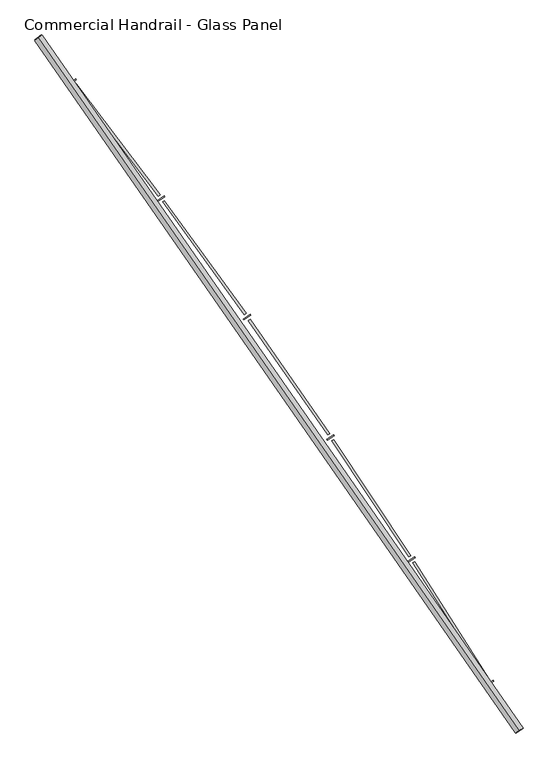
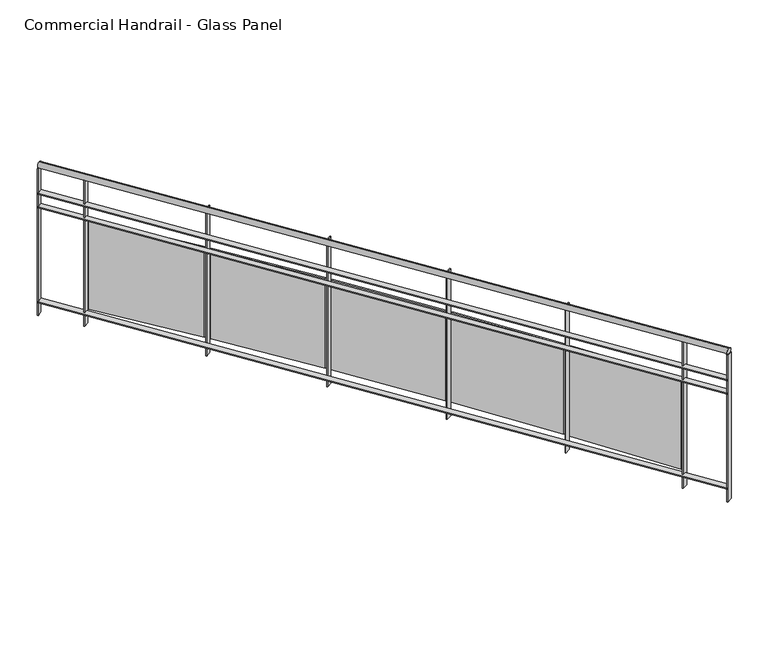
"""IFC4 building model written with IfcOpenShell, lengths in millimetres: railing geometry, Commercial Handrail - Glass Panel."""

from ifc_helpers import new_model, si_unit, point, frame, origin, place, context, project, spatial, polyline, circle_curve, ellipse_curve, trimmed, outline, extrude, source, transform, mapped, element, save
from ifc_brep_helpers import plane_surface, cylinder_surface, revolved_surface, advanced_brep


def commercial_handrail_glass_panel_e9024bec(model_context):
    return source(origin(), model_context, "Body", "SolidModel", [
        advanced_brep(
        [(174947.1226561, -30258.7265853, 9482.5), (172321.2493354, -26475.2644148, 9482.5), (172321.2493354, -26475.2644148, 9517.5), (174947.1226561, -30258.7265853, 9517.5)],
        [
            (0, 1, circle_curve(frame((141591.4318743, -50605.9420988, 9482.5), z_axis=(0.0, 0.0, 1.0), x_axis=(0.7864946016239663, 0.6175971515610791, 0.0)), 39071.873345)),
            (1, 2, ellipse_curve(frame((172321.2493354, -26475.2644148, 9500.0), z_axis=(0.6175971515610744, -0.78649460162397, 0.0), x_axis=(-0.78649460162397, -0.6175971515610744, 0.0)), 25.0, 17.5)),
            (2, 3, circle_curve(frame((141591.4318743, -50605.9420988, 9517.5), z_axis=(0.0, 0.0, -1.0), x_axis=(0.7864946016239663, 0.6175971515610791, 0.0)), 39071.873345)),
            (3, 0, ellipse_curve(frame((174947.1226561, -30258.7265853, 9500.0), z_axis=(-0.5207637559080609, 0.8537008319853798, 0.0), x_axis=(-0.8537008319853798, -0.5207637559080609, 0.0)), 25.0, 17.5)),
            (2, 1, ellipse_curve(frame((172321.2493354, -26475.2644148, 9500.0), z_axis=(0.6175971515610744, -0.78649460162397, 0.0), x_axis=(-0.78649460162397, -0.6175971515610744, 0.0)), 25.0, 17.5)),
            (0, 3, ellipse_curve(frame((174947.1226561, -30258.7265853, 9500.0), z_axis=(-0.5207637559080609, 0.8537008319853798, 0.0), x_axis=(-0.8537008319853798, -0.5207637559080609, 0.0)), 25.0, 17.5)),
        ],
        [
            revolved_surface(trimmed(ellipse_curve(frame((172321.2493354, -26475.2644148, 9500.0), z_axis=(-0.6175971515610791, 0.7864946016239663, 0.0), x_axis=(0.0, 0.0, -1.0)), 17.5, 25.0), [point((172321.2493354, -26475.2644148, 9517.5))], [point((172321.2493354, -26475.2644148, 9482.5))], True, "CARTESIAN"), (141591.4318743, -50605.9420988, 9500.0), (0.0, 0.0, -1.0)),
            revolved_surface(trimmed(ellipse_curve(frame((172321.2493354, -26475.2644148, 9500.0), z_axis=(-0.6175971515610791, 0.7864946016239663, 0.0), x_axis=(0.0, 0.0, -1.0)), 17.5, 25.0), [point((172321.2493354, -26475.2644148, 9482.5))], [point((172321.2493354, -26475.2644148, 9517.5))], True, "CARTESIAN"), (141591.4318743, -50605.9420988, 9500.0), (0.0, 0.0, -1.0)),
            plane_surface(frame((172321.2493354, -26475.2644148, 9500.0), z_axis=(-0.6175971515610791, 0.7864946016239663, 0.0), x_axis=(0.7864946016239663, 0.6175971515610791, 0.0))),
            plane_surface(frame((174947.1226561, -30258.7265853, 9500.0), z_axis=(0.5207637559080605, -0.85370083198538, 0.0), x_axis=(0.85370083198538, 0.5207637559080605, 0.0))),
        ],
        [
            (0, [[1, 2, 3, 4]]),
            (1, [[-3, 5, -1, 6]]),
            (2, [[-2, -5]]),
            (3, [[-6, -4]]),
        ],
    ),
        advanced_brep(
        [(174966.3309248, -30247.0094008, 9300.0), (172338.945464, -26461.3684789, 9300.0), (172303.5532069, -26489.1603507, 9300.0), (174927.9143874, -30270.4437698, 9300.0), (174966.3309248, -30247.0094008, 9294.0), (172338.945464, -26461.3684789, 9294.0), (174927.9143874, -30270.4437698, 9294.0), (172303.5532069, -26489.1603507, 9294.0)],
        [
            (0, 1, circle_curve(frame((141591.4318743, -50605.9420988, 9300.0), z_axis=(0.0, 0.0, 1.0), x_axis=(0.7864946016239663, 0.6175971515610791, 0.0)), 39094.373345)),
            (1, 2),
            (2, 3, circle_curve(frame((141591.4318743, -50605.9420988, 9300.0), z_axis=(0.0, 0.0, -1.0), x_axis=(0.7864946016239663, 0.6175971515610791, 0.0)), 39049.373345)),
            (3, 0),
            (4, 5, circle_curve(frame((141591.4318743, -50605.9420988, 9294.0), z_axis=(0.0, 0.0, 1.0), x_axis=(0.7864946016239663, 0.6175971515610791, 0.0)), 39094.373345)),
            (5, 1),
            (0, 4),
            (6, 7, circle_curve(frame((141591.4318743, -50605.9420988, 9294.0), z_axis=(0.0, 0.0, 1.0), x_axis=(0.7864946016239663, 0.6175971515610791, 0.0)), 39049.373345)),
            (7, 5),
            (4, 6),
            (2, 7),
            (6, 3),
        ],
        [
            plane_surface(frame((141591.4318743, -50605.9420988, 9300.0), z_axis=(0.0, 0.0, 1.0), x_axis=(0.7864946016239663, 0.6175971515610791, 0.0))),
            cylinder_surface(frame((141591.4318743, -50605.9420988, 9300.0), z_axis=(0.0, 0.0, -1.0), x_axis=(0.7864946016239663, 0.6175971515610791, 0.0)), 39094.373345),
            plane_surface(frame((141591.4318743, -50605.9420988, 9294.0), z_axis=(0.0, 0.0, -1.0), x_axis=(0.7864946016239663, 0.6175971515610791, 0.0))),
            revolved_surface(polyline([(172303.55320694132, -26489.160350682872, 9294.0), (172303.55320694132, -26489.160350682872, 9300.0)]), (141591.4318743, -50605.9420988, 9300.0), (0.0, 0.0, -1.0)),
            plane_surface(frame((172321.2493354, -26475.2644148, 9300.0), z_axis=(-0.6175971515610791, 0.7864946016239663, 0.0), x_axis=(0.7864946016239663, 0.6175971515610791, 0.0))),
            plane_surface(frame((174947.1226561, -30258.7265853, 9300.0), z_axis=(0.5207637559080605, -0.85370083198538, 0.0), x_axis=(0.85370083198538, 0.5207637559080605, 0.0))),
        ],
        [
            (0, [[1, 2, 3, 4]]),
            (1, [[5, 6, -1, 7]]),
            (2, [[8, 9, -5, 10]]),
            (3, [[-3, 11, -8, 12]]),
            (4, [[-2, -6, -9, -11]]),
            (5, [[-12, -10, -7, -4]]),
        ],
    ),
        advanced_brep(
        [(174966.3309248, -30247.0094008, 9200.0), (172338.945464, -26461.3684789, 9200.0), (172303.5532069, -26489.1603507, 9200.0), (174927.9143874, -30270.4437698, 9200.0), (174966.3309248, -30247.0094008, 9194.0), (172338.945464, -26461.3684789, 9194.0), (174927.9143874, -30270.4437698, 9194.0), (172303.5532069, -26489.1603507, 9194.0)],
        [
            (0, 1, circle_curve(frame((141591.4318743, -50605.9420988, 9200.0), z_axis=(0.0, 0.0, 1.0), x_axis=(0.7864946016239663, 0.6175971515610791, 0.0)), 39094.373345)),
            (1, 2),
            (2, 3, circle_curve(frame((141591.4318743, -50605.9420988, 9200.0), z_axis=(0.0, 0.0, -1.0), x_axis=(0.7864946016239663, 0.6175971515610791, 0.0)), 39049.373345)),
            (3, 0),
            (4, 5, circle_curve(frame((141591.4318743, -50605.9420988, 9194.0), z_axis=(0.0, 0.0, 1.0), x_axis=(0.7864946016239663, 0.6175971515610791, 0.0)), 39094.373345)),
            (5, 1),
            (0, 4),
            (6, 7, circle_curve(frame((141591.4318743, -50605.9420988, 9194.0), z_axis=(0.0, 0.0, 1.0), x_axis=(0.7864946016239663, 0.6175971515610791, 0.0)), 39049.373345)),
            (7, 5),
            (4, 6),
            (2, 7),
            (6, 3),
        ],
        [
            plane_surface(frame((141591.4318743, -50605.9420988, 9200.0), z_axis=(0.0, 0.0, 1.0), x_axis=(0.7864946016239663, 0.6175971515610791, 0.0))),
            cylinder_surface(frame((141591.4318743, -50605.9420988, 9200.0), z_axis=(0.0, 0.0, -1.0), x_axis=(0.7864946016239663, 0.6175971515610791, 0.0)), 39094.373345),
            plane_surface(frame((141591.4318743, -50605.9420988, 9194.0), z_axis=(0.0, 0.0, -1.0), x_axis=(0.7864946016239663, 0.6175971515610791, 0.0))),
            revolved_surface(polyline([(172303.55320694132, -26489.160350682872, 9194.0), (172303.55320694132, -26489.160350682872, 9200.0)]), (141591.4318743, -50605.9420988, 9200.0), (0.0, 0.0, -1.0)),
            plane_surface(frame((172321.2493354, -26475.2644148, 9200.0), z_axis=(-0.6175971515610791, 0.7864946016239663, 0.0), x_axis=(0.7864946016239663, 0.6175971515610791, 0.0))),
            plane_surface(frame((174947.1226561, -30258.7265853, 9200.0), z_axis=(0.5207637559080605, -0.85370083198538, 0.0), x_axis=(0.85370083198538, 0.5207637559080605, 0.0))),
        ],
        [
            (0, [[1, 2, 3, 4]]),
            (1, [[5, 6, -1, 7]]),
            (2, [[8, 9, -5, 10]]),
            (3, [[-3, 11, -8, 12]]),
            (4, [[-2, -6, -9, -11]]),
            (5, [[-12, -10, -7, -4]]),
        ],
    ),
        advanced_brep(
        [(174966.3309248, -30247.0094008, 8500.0), (172338.945464, -26461.3684789, 8500.0), (172303.5532069, -26489.1603507, 8500.0), (174927.9143874, -30270.4437698, 8500.0), (174966.3309248, -30247.0094008, 8494.0), (172338.945464, -26461.3684789, 8494.0), (174927.9143874, -30270.4437698, 8494.0), (172303.5532069, -26489.1603507, 8494.0)],
        [
            (0, 1, circle_curve(frame((141591.4318743, -50605.9420988, 8500.0), z_axis=(0.0, 0.0, 1.0), x_axis=(0.7864946016239663, 0.6175971515610791, 0.0)), 39094.373345)),
            (1, 2),
            (2, 3, circle_curve(frame((141591.4318743, -50605.9420988, 8500.0), z_axis=(0.0, 0.0, -1.0), x_axis=(0.7864946016239663, 0.6175971515610791, 0.0)), 39049.373345)),
            (3, 0),
            (4, 5, circle_curve(frame((141591.4318743, -50605.9420988, 8494.0), z_axis=(0.0, 0.0, 1.0), x_axis=(0.7864946016239663, 0.6175971515610791, 0.0)), 39094.373345)),
            (5, 1),
            (0, 4),
            (6, 7, circle_curve(frame((141591.4318743, -50605.9420988, 8494.0), z_axis=(0.0, 0.0, 1.0), x_axis=(0.7864946016239663, 0.6175971515610791, 0.0)), 39049.373345)),
            (7, 5),
            (4, 6),
            (2, 7),
            (6, 3),
        ],
        [
            plane_surface(frame((141591.4318743, -50605.9420988, 8500.0), z_axis=(0.0, 0.0, 1.0), x_axis=(0.7864946016239663, 0.6175971515610791, 0.0))),
            cylinder_surface(frame((141591.4318743, -50605.9420988, 8500.0), z_axis=(0.0, 0.0, -1.0), x_axis=(0.7864946016239663, 0.6175971515610791, 0.0)), 39094.373345),
            plane_surface(frame((141591.4318743, -50605.9420988, 8494.0), z_axis=(0.0, 0.0, -1.0), x_axis=(0.7864946016239663, 0.6175971515610791, 0.0))),
            revolved_surface(polyline([(172303.55320694132, -26489.160350682872, 8494.0), (172303.55320694132, -26489.160350682872, 8500.0)]), (141591.4318743, -50605.9420988, 8500.0), (0.0, 0.0, -1.0)),
            plane_surface(frame((172321.2493354, -26475.2644148, 8500.0), z_axis=(-0.6175971515610791, 0.7864946016239663, 0.0), x_axis=(0.7864946016239663, 0.6175971515610791, 0.0))),
            plane_surface(frame((174947.1226561, -30258.7265853, 8500.0), z_axis=(0.5207637559080605, -0.85370083198538, 0.0), x_axis=(0.85370083198538, 0.5207637559080605, 0.0))),
        ],
        [
            (0, [[1, 2, 3, 4]]),
            (1, [[5, 6, -1, 7]]),
            (2, [[8, 9, -5, 10]]),
            (3, [[-3, 11, -8, 12]]),
            (4, [[-2, -6, -9, -11]]),
            (5, [[-12, -10, -7, -4]]),
        ],
    ),
        extrude(outline(polyline([(174767.0827529, -30009.1035934), (174805.3157733, -29985.3709966), (174808.4801195, -29990.4687326), (174770.2470991, -30014.2013295), (174767.0827529, -30009.1035934)])), frame((0.0, 0.0, 8400.0), z_axis=(0.0, 0.0, 1.0), x_axis=(1.0, 0.0, 0.0)), (0.0, 0.0, 1.0), 1082.1192282),
        extrude(outline(polyline([(174376.4508905, -29337.0184477), (174783.8574789, -29978.5945319), (174773.7273302, -29985.0272675), (174366.3207418, -29343.4511834), (174376.4508905, -29337.0184477)])), frame((0.0, 0.0, 8520.0), z_axis=(0.0, 0.0, 1.0), x_axis=(1.0, 0.0, 0.0)), (0.0, 0.0, 1.0), 660.0),
        extrude(outline(polyline([(174338.4363039, -29334.1939685), (174376.1754174, -29309.6835764), (174379.4434696, -29314.7154582), (174341.7043562, -29339.2258503), (174338.4363039, -29334.1939685)])), frame((0.0, 0.0, 8400.0), z_axis=(0.0, 0.0, 1.0), x_axis=(1.0, 0.0, 0.0)), (0.0, 0.0, 1.0), 1082.1192282),
        extrude(outline(polyline([(173934.1262806, -28670.2473592), (174354.5828818, -29303.3478619), (174344.5865581, -29309.9866503), (173924.1299568, -28676.8861476), (173934.1262806, -28670.2473592)])), frame((0.0, 0.0, 8520.0), z_axis=(0.0, 0.0, 1.0), x_axis=(1.0, 0.0, 0.0)), (0.0, 0.0, 1.0), 660.0),
        extrude(outline(polyline([(173896.0618347, -28668.2017695), (173933.2912204, -28642.9238574), (173936.6616087, -28647.8877755), (173899.432223, -28673.1656876), (173896.0618347, -28668.2017695)])), frame((0.0, 0.0, 8400.0), z_axis=(0.0, 0.0, 1.0), x_axis=(1.0, 0.0, 0.0)), (0.0, 0.0, 1.0), 1082.1192282),
        extrude(outline(polyline([(173478.243143, -28012.6720327), (173911.5734956, -28637.031549), (173901.7151874, -28643.8736072), (173468.3848349, -28019.5140909), (173478.243143, -28012.6720327)])), frame((0.0, 0.0, 8520.0), z_axis=(0.0, 0.0, 1.0), x_axis=(1.0, 0.0, 0.0)), (0.0, 0.0, 1.0), 660.0),
        extrude(outline(polyline([(173440.1447951, -28011.4061902), (173476.848846, -27985.3713549), (173480.3201573, -27990.2652284), (173443.6161065, -28016.3000637), (173440.1447951, -28011.4061902)])), frame((0.0, 0.0, 8400.0), z_axis=(0.0, 0.0, 1.0), x_axis=(1.0, 0.0, 0.0)), (0.0, 0.0, 1.0), 1082.1192282),
        extrude(outline(polyline([(173008.9925907, -27364.5681335), (173455.0150362, -27979.9249228), (173445.2988764, -27986.9673824), (172999.2764309, -27371.6105932), (173008.9925907, -27364.5681335)])), frame((0.0, 0.0, 8520.0), z_axis=(0.0, 0.0, 1.0), x_axis=(1.0, 0.0, 0.0)), (0.0, 0.0, 1.0), 660.0),
        extrude(outline(polyline([(172970.876312, -27364.0825688), (173007.0396412, -27337.3017244), (173010.6104205, -27342.1235017), (172974.4470913, -27368.904346), (172970.876312, -27364.0825688)])), frame((0.0, 0.0, 8400.0), z_axis=(0.0, 0.0, 1.0), x_axis=(1.0, 0.0, 0.0)), (0.0, 0.0, 1.0), 1082.1192282),
        extrude(outline(polyline([(172526.5713403, -26726.207356), (172985.0988996, -27332.3034518), (172975.5289613, -27339.5433607), (172517.0014019, -26733.4472649), (172526.5713403, -26726.207356)])), frame((0.0, 0.0, 8520.0), z_axis=(0.0, 0.0, 1.0), x_axis=(1.0, 0.0, 0.0)), (0.0, 0.0, 1.0), 660.0),
        extrude(outline(polyline([(172488.4531098, -26726.5022727), (172524.0605571, -26698.9866462), (172527.7293072, -26703.7343059), (172492.12186, -26731.2499323), (172488.4531098, -26726.5022727)])), frame((0.0, 0.0, 8400.0), z_axis=(0.0, 0.0, 1.0), x_axis=(1.0, 0.0, 0.0)), (0.0, 0.0, 1.0), 1082.1192282),
        extrude(outline(polyline([(174926.3520961, -30267.8826673), (174964.7686336, -30244.4482983), (174967.8932161, -30249.5705033), (174929.4766787, -30273.0048723), (174926.3520961, -30267.8826673)])), frame((0.0, 0.0, 8400.0), z_axis=(0.0, 0.0, 1.0), x_axis=(1.0, 0.0, 0.0)), (0.0, 0.0, 1.0), 1082.1192282),
        extrude(outline(polyline([(172301.7004154, -26486.8008669), (172337.0926725, -26459.0089951), (172340.7982554, -26463.7279627), (172305.4059984, -26491.5198345), (172301.7004154, -26486.8008669)])), frame((0.0, 0.0, 8400.0), z_axis=(0.0, 0.0, 1.0), x_axis=(1.0, 0.0, 0.0)), (0.0, 0.0, 1.0), 1082.1192282),
    ])


if __name__ == "__main__":
    model = new_model("IFC4")
    model_context = context("Model", 3, world=origin())
    ifc_project = project(units=[si_unit("LENGTHUNIT", "METRE", prefix="MILLI")], contexts=[model_context])
    site = spatial("IfcSite", under=ifc_project)
    building = spatial("IfcBuilding", under=site)
    placement = place(None, origin())
    commercial_handrail_glass_panel_shape = commercial_handrail_glass_panel_e9024bec(model_context)
    element("IfcRailing", 1, ObjectType="Commercial Handrail - Glass Panel", at=placement, inside=building, context=model_context, shape_type="MappedRepresentation", body=[
        mapped(commercial_handrail_glass_panel_shape, transform((0.0, 0.0, 0.0), x_axis=(1.0, 0.0, 0.0), y_axis=(0.0, 1.0, 0.0), z_axis=(0.0, 0.0, 1.0))),
    ])
    save(model, "model.ifc")
